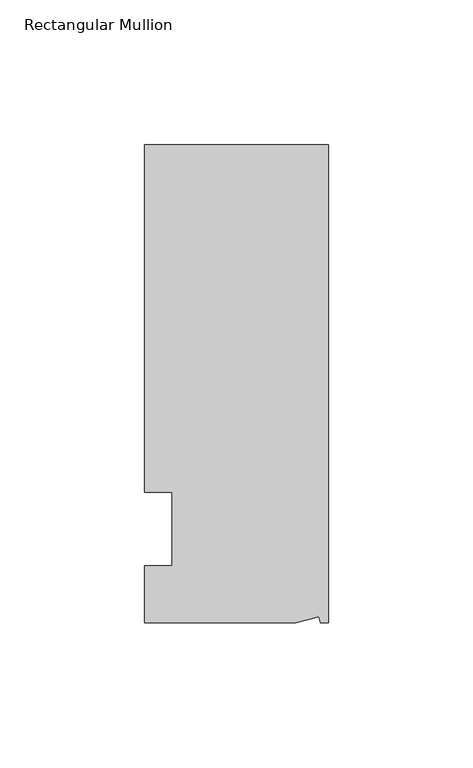
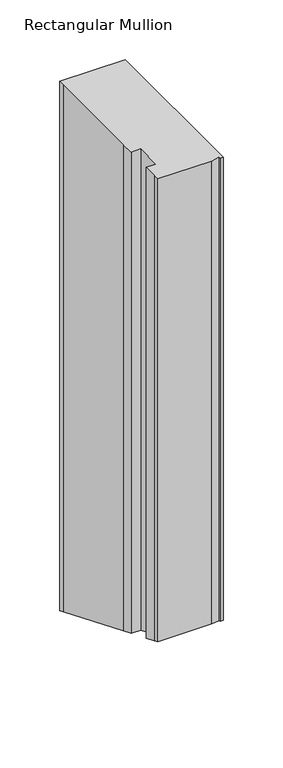
"""IFC4 building model written with IfcOpenShell, lengths in millimetres: member geometry, Rectangular Mullion."""

from ifc_helpers import new_model, si_unit, origin, place, context, project, spatial, faceted_brep, source, transform, mapped, element, save


def rectangular_mullion_85c538fc(model_context):
    return source(origin(), model_context, "Body", "Brep", [
        faceted_brep([(-3.3457217, -17.5748952, 0.0), (-11.1265412, -19.6597595, 0.0), (-11.1265412, -19.6597595, -474.456661), (-3.3457217, -17.5748952, -475.3202401), (-2.787084, -19.6597595, 0.0), (-2.787084, -19.6597595, -474.456661), (0.0, -19.6597595, 0.0), (0.0, -19.6597595, -474.456661), (0.0, 145.4402405, 0.0), (0.0, 145.4402405, -542.8433201), (-63.5, 145.4402405, 0.0), (-63.5, 145.4402405, -542.8433201), (-63.5, 139.091245, 0.0), (-63.5, 139.091245, -540.2134801), (-63.5, 38.3358837, 0.0), (-63.5, 38.3358837, -498.4792429), (-53.975, 25.4, 0.0), (-63.5, 25.4, 0.0), (-63.5, 25.4, -493.1210245), (-53.975, 25.4, -493.1210245), (-53.975, 0.0, 0.0), (-53.975, 0.0, -482.6), (-63.5, 0.0, 0.0), (-63.5, 0.0, -482.6), (-63.5, -13.6200033, 0.0), (-63.5, -13.6200033, -476.9584099), (-63.5, -19.6597595, 0.0), (-63.5, -19.6597595, -474.456661)], [[[0, 1, 2, 3]], [[4, 0, 3, 5]], [[6, 4, 5, 7]], [[8, 6, 7, 9]], [[10, 8, 9, 11]], [[12, 10, 11, 13]], [[14, 12, 13, 15]], [[16, 17, 18, 19]], [[20, 16, 19, 21]], [[22, 20, 21, 23]], [[24, 22, 23, 25]], [[1, 26, 27, 2]], [[1, 0, 4, 6, 8, 10, 12, 14, 17, 16, 20, 22, 24, 26]], [[2, 27, 25, 23, 21, 19, 18, 15, 13, 11, 9, 7, 5, 3]], [[17, 14, 15, 18]], [[26, 24, 25, 27]]]),
    ])


if __name__ == "__main__":
    model = new_model("IFC4")
    model_context = context("Model", 3, world=origin())
    ifc_project = project(units=[si_unit("LENGTHUNIT", "METRE", prefix="MILLI")], contexts=[model_context])
    site = spatial("IfcSite", under=ifc_project)
    building = spatial("IfcBuilding", under=site)
    placement = place(None, origin())
    rectangular_mullion_shape = rectangular_mullion_85c538fc(model_context)
    element("IfcMember", 1, ObjectType="Rectangular Mullion", at=placement, inside=building, context=model_context, shape_type="MappedRepresentation", body=[
        mapped(rectangular_mullion_shape, transform((0.0, 0.0, 0.0), x_axis=(1.0, 0.0, 0.0), y_axis=(0.0, 1.0, 0.0), z_axis=(0.0, 0.0, 1.0))),
    ])
    save(model, "model.ifc")
